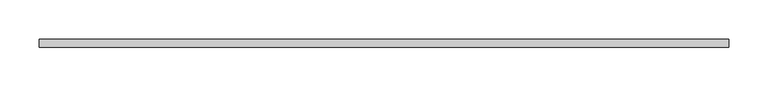
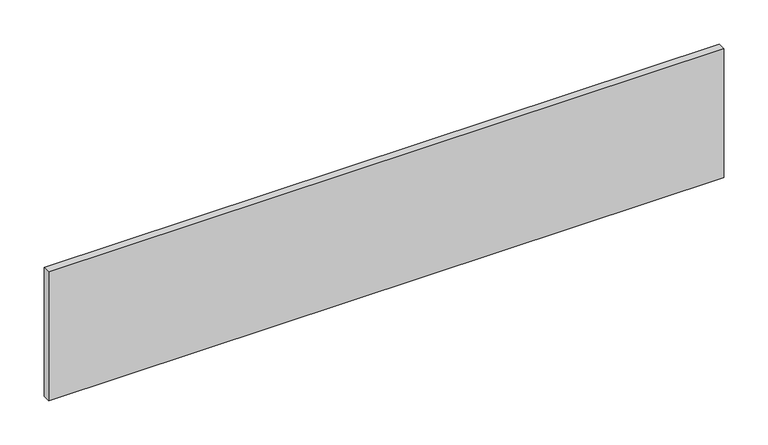
"""IFC4 building model written with IfcOpenShell, lengths in millimetres: furniture geometry."""

from ifc_helpers import new_model, si_unit, origin, origin_with_axes, place, context, project, spatial, polyline, outline, extrude, source, transform, mapped, element, save


def furniture_7cd78f1c(model_context):
    return source(origin(), model_context, "Body", "SweptSolid", [
        extrude(outline(polyline([(897.763, -3.3306702), (16.637, -3.3306702), (16.637, 7.1693298), (897.763, 7.1693298), (897.763, -3.3306702)])), origin_with_axes(), (0.0, 0.0, 1.0), 177.8),
    ])


if __name__ == "__main__":
    model = new_model("IFC4")
    model_context = context("Model", 3, world=origin())
    ifc_project = project(units=[si_unit("LENGTHUNIT", "METRE", prefix="MILLI")], contexts=[model_context])
    site = spatial("IfcSite", under=ifc_project)
    building = spatial("IfcBuilding", under=site)
    placement = place(None, origin())
    furniture_shape = furniture_7cd78f1c(model_context)
    element("IfcFurniture", 1, at=placement, inside=building, context=model_context, shape_type="MappedRepresentation", body=[
        mapped(furniture_shape, transform((0.0, 0.0, 0.0), x_axis=(1.0, 0.0, 0.0), y_axis=(0.0, 1.0, 0.0), z_axis=(0.0, 0.0, 1.0))),
    ])
    save(model, "model.ifc")
